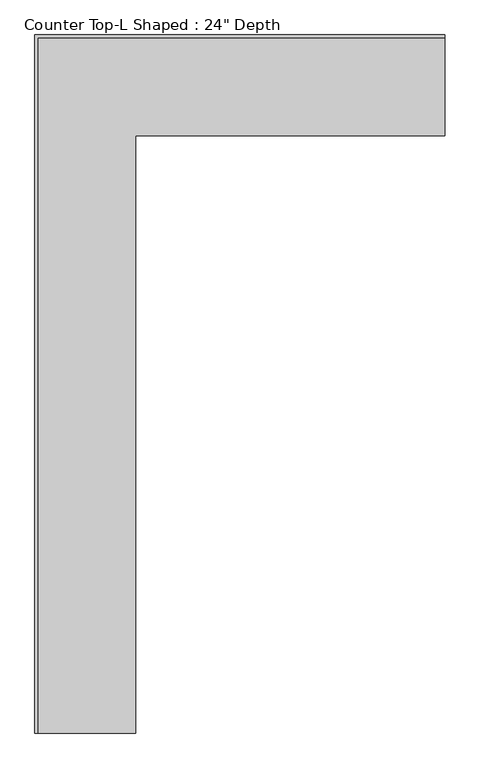
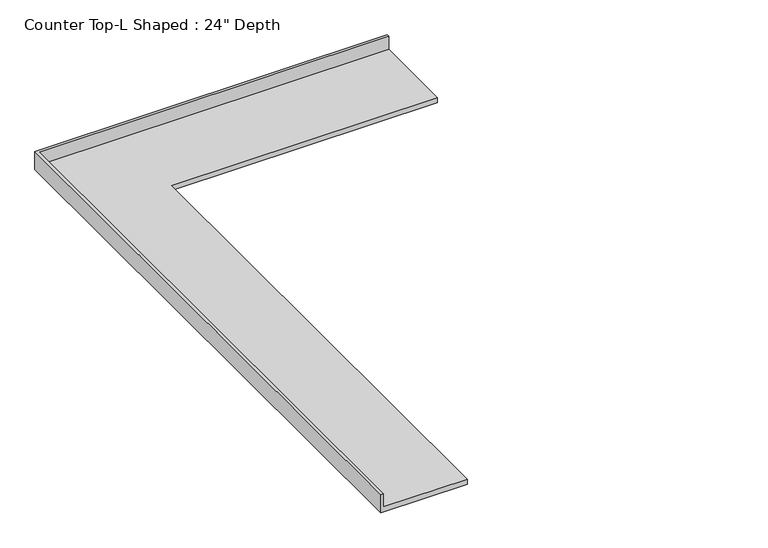
"""IFC4 building model written with IfcOpenShell, lengths in millimetres: furniture geometry."""

from ifc_helpers import new_model, si_unit, origin, place, context, project, spatial, faceted_brep, source, transform, mapped, element, save


def furniture_c3d1bdd1(model_context):
    return source(origin(), model_context, "Body", "Brep", [
        faceted_brep([(-565.4622951, -4398.9007631, 914.4), (-565.4622951, -635.0, 914.4), (1385.8128442, -635.0, 914.4), (1385.8128442, -19.05, 914.4), (-1181.4122951, -19.05, 914.4), (-1181.4122951, -4398.9007631, 914.4), (1385.8128442, 0.0, 876.3), (1385.8128442, -635.0, 876.3), (-565.4622951, -635.0, 876.3), (-565.4622951, -4398.9007631, 876.3), (-1200.4622951, -4398.9007631, 876.3), (-1200.4622951, 0.0, 876.3), (-1200.4622951, 0.0, 1016.0), (1385.8128442, 0.0, 1016.0), (-1200.4622951, -4398.9007631, 1016.0), (-1181.4122951, -4398.9007631, 1016.0), (1385.8128442, -19.05, 1016.0), (-1181.4122951, -19.05, 1016.0)], [[[0, 1, 2, 3, 4, 5]], [[6, 7, 8, 9, 10, 11]], [[6, 11, 12, 13]], [[11, 10, 14, 12]], [[14, 10, 9, 0, 5, 15]], [[1, 0, 9, 8]], [[2, 1, 8, 7]], [[7, 6, 13, 16, 3, 2]], [[12, 14, 15, 17, 16, 13]], [[3, 16, 17, 4]], [[17, 15, 5, 4]]]),
    ])


if __name__ == "__main__":
    model = new_model("IFC4")
    model_context = context("Model", 3, world=origin())
    ifc_project = project(units=[si_unit("LENGTHUNIT", "METRE", prefix="MILLI")], contexts=[model_context])
    site = spatial("IfcSite", under=ifc_project)
    building = spatial("IfcBuilding", under=site)
    placement = place(None, origin())
    furniture_shape = furniture_c3d1bdd1(model_context)
    element("IfcFurniture", 1, ObjectType="Counter Top-L Shaped : 24\" Depth", at=placement, inside=building, context=model_context, shape_type="MappedRepresentation", body=[
        mapped(furniture_shape, transform((0.0, 0.0, 0.0), x_axis=(1.0, 0.0, 0.0), y_axis=(0.0, 1.0, 0.0), z_axis=(0.0, 0.0, 1.0))),
    ])
    save(model, "model.ifc")
